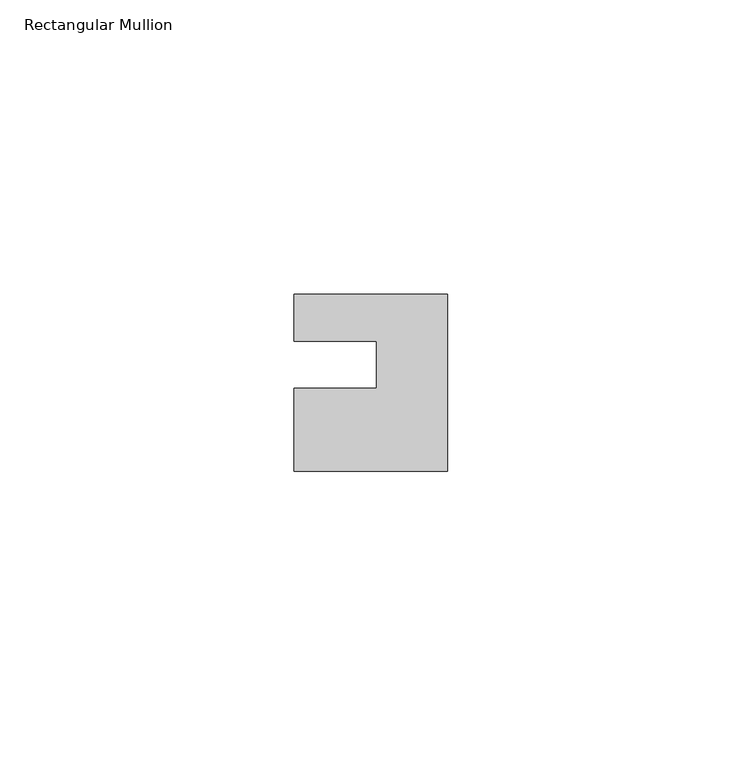
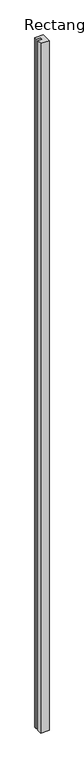
"""IFC4 building model written with IfcOpenShell, lengths in millimetres: member geometry, Rectangular Mullion."""

from ifc_helpers import new_model, si_unit, frame, origin, place, context, project, spatial, polyline, outline, extrude, source, transform, mapped, element, save


def rectangular_mullion_c56ee2fa(model_context):
    return source(origin(), model_context, "Body", "SweptSolid", [
        extrude(outline(polyline([(0.0, 7.94), (0.0, -22.06), (-26.0, -22.06), (-26.0, -8.0), (-12.0, -8.0), (-12.0, 0.001), (-26.0, 0.001), (-26.0, 7.94), (0.0, 7.94)])), frame((0.0, 0.0, -2239.0), z_axis=(0.0, 0.0, 1.0), x_axis=(1.0, 0.0, 0.0)), (0.0, 0.0, 1.0), 2239.0),
    ])


if __name__ == "__main__":
    model = new_model("IFC4")
    model_context = context("Model", 3, world=origin())
    ifc_project = project(units=[si_unit("LENGTHUNIT", "METRE", prefix="MILLI")], contexts=[model_context])
    site = spatial("IfcSite", under=ifc_project)
    building = spatial("IfcBuilding", under=site)
    placement = place(None, origin())
    rectangular_mullion_shape = rectangular_mullion_c56ee2fa(model_context)
    element("IfcMember", 1, ObjectType="Rectangular Mullion", at=placement, inside=building, context=model_context, shape_type="MappedRepresentation", body=[
        mapped(rectangular_mullion_shape, transform((0.0, 0.0, 0.0), x_axis=(1.0, 0.0, 0.0), y_axis=(0.0, 1.0, 0.0), z_axis=(0.0, 0.0, 1.0))),
    ])
    save(model, "model.ifc")
